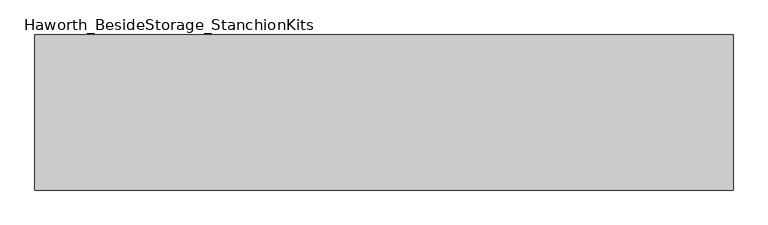
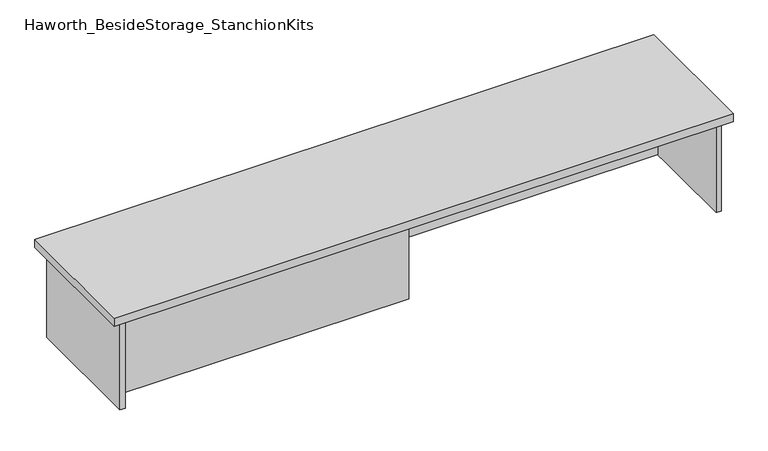
"""IFC4 building model written with IfcOpenShell, lengths in millimetres: furniture geometry, Haworth_BesideStorage_StanchionKits."""

from ifc_helpers import new_model, si_unit, frame, origin, place, context, project, spatial, polyline, outline, extrude, source, transform, mapped, element, save


def haworth_besidestorage_stanchionkits_96a229dd(model_context):
    return source(origin(), model_context, "Body", "SweptSolid", [
        extrude(outline(polyline([(1076.325, 0.0), (1076.325, -406.4), (-752.475, -406.4), (-752.475, 0.0), (1076.325, 0.0)])), frame((0.0, 0.0, 711.2), z_axis=(0.0, 0.0, 1.0), x_axis=(1.0, 0.0, 0.0)), (0.0, 0.0, 1.0), 25.4),
        extrude(outline(polyline([(161.925, -76.2), (1035.05, -76.2), (1035.05, -92.075), (161.925, -92.075), (161.925, -76.2)])), frame((0.0, 0.0, 431.8), z_axis=(0.0, 0.0, 1.0), x_axis=(1.0, 0.0, 0.0)), (0.0, 0.0, 1.0), 279.4),
        extrude(outline(polyline([(161.925, -314.325), (161.925, -330.2), (-711.2, -330.2), (-711.2, -314.325), (161.925, -314.325)])), frame((0.0, 0.0, 431.8), z_axis=(0.0, 0.0, 1.0), x_axis=(1.0, 0.0, 0.0)), (0.0, 0.0, 1.0), 279.4),
        extrude(outline(polyline([(1050.925, -390.525), (1035.05, -390.525), (1035.05, -15.875), (1050.925, -15.875), (1050.925, -390.525)])), frame((0.0, 0.0, 431.8), z_axis=(0.0, 0.0, 1.0), x_axis=(1.0, 0.0, 0.0)), (0.0, 0.0, 1.0), 279.4),
        extrude(outline(polyline([(-711.2, -390.525), (-727.075, -390.525), (-727.075, -15.875), (-711.2, -15.875), (-711.2, -390.525)])), frame((0.0, 0.0, 431.8), z_axis=(0.0, 0.0, 1.0), x_axis=(1.0, 0.0, 0.0)), (0.0, 0.0, 1.0), 279.4),
    ])


if __name__ == "__main__":
    model = new_model("IFC4")
    model_context = context("Model", 3, world=origin())
    ifc_project = project(units=[si_unit("LENGTHUNIT", "METRE", prefix="MILLI")], contexts=[model_context])
    site = spatial("IfcSite", under=ifc_project)
    building = spatial("IfcBuilding", under=site)
    placement = place(None, origin())
    haworth_besidestorage_stanchionkits_shape = haworth_besidestorage_stanchionkits_96a229dd(model_context)
    element("IfcFurniture", 1, ObjectType="Haworth_BesideStorage_StanchionKits", at=placement, inside=building, context=model_context, shape_type="MappedRepresentation", body=[
        mapped(haworth_besidestorage_stanchionkits_shape, transform((0.0, 0.0, 0.0), x_axis=(1.0, 0.0, 0.0), y_axis=(0.0, 1.0, 0.0), z_axis=(0.0, 0.0, 1.0))),
    ])
    save(model, "model.ifc")
